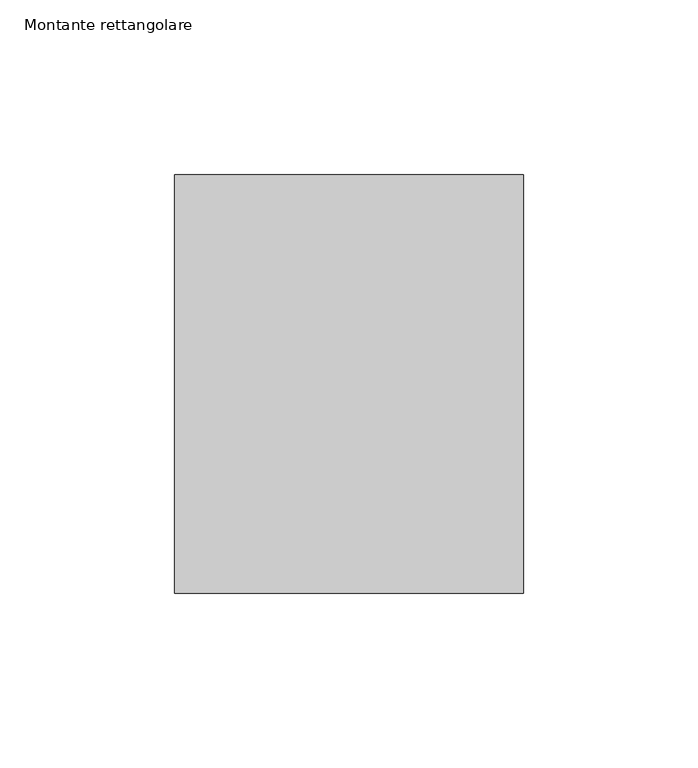
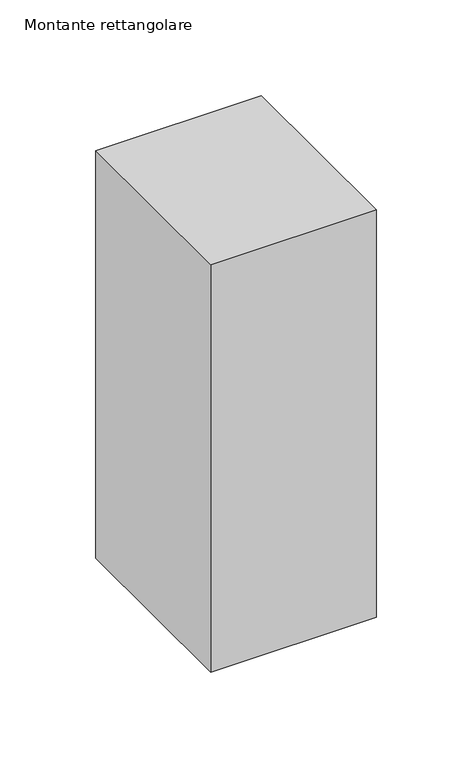
"""IFC4 building model written with IfcOpenShell, lengths in millimetres: member geometry, Montante rettangolare."""

from ifc_helpers import new_model, si_unit, frame, origin, place, context, project, spatial, polyline, outline, extrude, source, transform, mapped, element, save


def montante_rettangolare_4b7d0e44(model_context):
    return source(origin(), model_context, "Body", "SweptSolid", [
        extrude(outline(polyline([(0.0, 60.0), (0.0, -60.0), (-100.0, -60.0), (-100.0, 60.0), (0.0, 60.0)])), frame((0.0, 0.0, -260.0283035), z_axis=(0.0, 0.0, 1.0), x_axis=(1.0, 0.0, 0.0)), (0.0, 0.0, 1.0), 260.0283035),
    ])


if __name__ == "__main__":
    model = new_model("IFC4")
    model_context = context("Model", 3, world=origin())
    ifc_project = project(units=[si_unit("LENGTHUNIT", "METRE", prefix="MILLI")], contexts=[model_context])
    site = spatial("IfcSite", under=ifc_project)
    building = spatial("IfcBuilding", under=site)
    placement = place(None, origin())
    montante_rettangolare_shape = montante_rettangolare_4b7d0e44(model_context)
    element("IfcMember", 1, ObjectType="Montante rettangolare", at=placement, inside=building, context=model_context, shape_type="MappedRepresentation", body=[
        mapped(montante_rettangolare_shape, transform((0.0, 0.0, 0.0), x_axis=(1.0, 0.0, 0.0), y_axis=(0.0, 1.0, 0.0), z_axis=(0.0, 0.0, 1.0))),
    ])
    save(model, "model.ifc")
